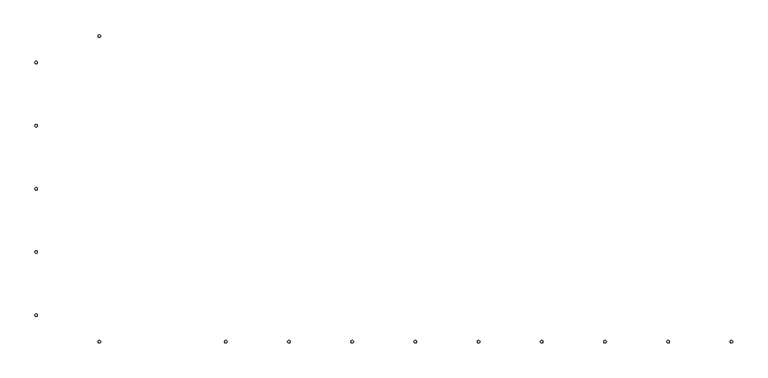
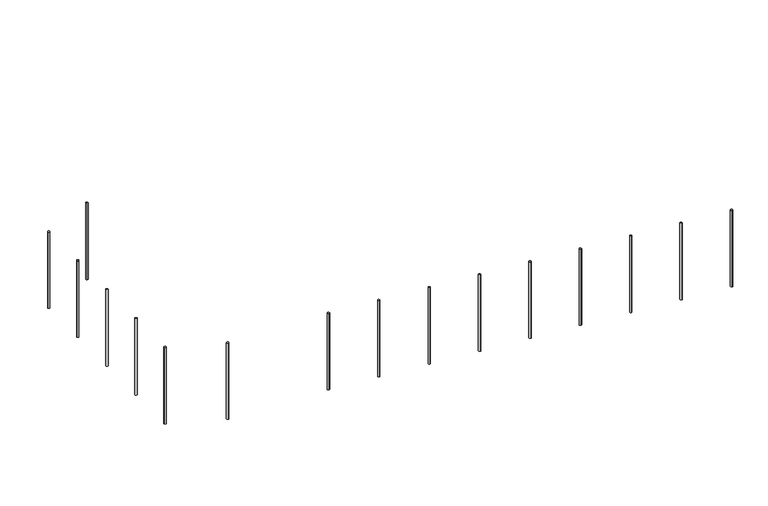
"""IFC4 building model written with IfcOpenShell, lengths in millimetres: railing geometry."""

from ifc_helpers import new_model, si_unit, point, frame, frame_2d, origin, place, context, project, spatial, circle_curve, ellipse_curve, trimmed, segment, composite_curve, outline, extrude, source, transform, mapped, element, save
from ifc_brep_helpers import plane_surface, cylinder_surface, advanced_brep


def railing_d7b6b83a(model_context):
    return source(origin(), model_context, "Body", "SolidModel", [
        extrude(outline(composite_curve([segment(trimmed(circle_curve(frame_2d((-26285.2208066, -18798.0361539)), 10.0), [point((-26285.2208066, -18788.0361539))], [point((-26285.2208066, -18808.0361539))], False, "CARTESIAN"), True, "CONTINUOUS"), segment(trimmed(circle_curve(frame_2d((-26285.2208066, -18798.0361539)), 10.0), [point((-26285.2208066, -18808.0361539))], [point((-26285.2208066, -18788.0361539))], False, "CARTESIAN"), True, "CONTINUOUS")], self_intersect=False)), frame((0.0, 0.0, -740.0), z_axis=(0.0, 0.0, 1.0), x_axis=(1.0, 0.0, 0.0)), (0.0, 0.0, 1.0), 800.0),
        extrude(outline(composite_curve([segment(trimmed(circle_curve(frame_2d((-26785.2208066, -19007.6737587)), 10.0), [point((-26795.2208066, -19007.6737587))], [point((-26775.2208066, -19007.6737587))], False, "CARTESIAN"), True, "CONTINUOUS"), segment(trimmed(circle_curve(frame_2d((-26785.2208066, -19007.6737587)), 10.0), [point((-26775.2208066, -19007.6737587))], [point((-26795.2208066, -19007.6737587))], False, "CARTESIAN"), True, "CONTINUOUS")], self_intersect=False)), frame((0.0, 0.0, -740.0), z_axis=(0.0, 0.0, 1.0), x_axis=(1.0, 0.0, 0.0)), (0.0, 0.0, 1.0), 800.0),
        extrude(outline(composite_curve([segment(trimmed(circle_curve(frame_2d((-26785.2208066, -19507.6737587)), 10.0), [point((-26795.2208066, -19507.6737587))], [point((-26775.2208066, -19507.6737587))], False, "CARTESIAN"), True, "CONTINUOUS"), segment(trimmed(circle_curve(frame_2d((-26785.2208066, -19507.6737587)), 10.0), [point((-26775.2208066, -19507.6737587))], [point((-26795.2208066, -19507.6737587))], False, "CARTESIAN"), True, "CONTINUOUS")], self_intersect=False)), frame((0.0, 0.0, -740.0), z_axis=(0.0, 0.0, 1.0), x_axis=(1.0, 0.0, 0.0)), (0.0, 0.0, 1.0), 800.0),
        extrude(outline(composite_curve([segment(trimmed(circle_curve(frame_2d((-26785.2208066, -20007.6737587)), 10.0), [point((-26795.2208066, -20007.6737587))], [point((-26775.2208066, -20007.6737587))], False, "CARTESIAN"), True, "CONTINUOUS"), segment(trimmed(circle_curve(frame_2d((-26785.2208066, -20007.6737587)), 10.0), [point((-26775.2208066, -20007.6737587))], [point((-26795.2208066, -20007.6737587))], False, "CARTESIAN"), True, "CONTINUOUS")], self_intersect=False)), frame((0.0, 0.0, -740.0), z_axis=(0.0, 0.0, 1.0), x_axis=(1.0, 0.0, 0.0)), (0.0, 0.0, 1.0), 800.0),
        extrude(outline(composite_curve([segment(trimmed(circle_curve(frame_2d((-26785.2208066, -20507.6737587)), 10.0), [point((-26795.2208066, -20507.6737587))], [point((-26775.2208066, -20507.6737587))], False, "CARTESIAN"), True, "CONTINUOUS"), segment(trimmed(circle_curve(frame_2d((-26785.2208066, -20507.6737587)), 10.0), [point((-26775.2208066, -20507.6737587))], [point((-26795.2208066, -20507.6737587))], False, "CARTESIAN"), True, "CONTINUOUS")], self_intersect=False)), frame((0.0, 0.0, -740.0), z_axis=(0.0, 0.0, 1.0), x_axis=(1.0, 0.0, 0.0)), (0.0, 0.0, 1.0), 800.0),
        extrude(outline(composite_curve([segment(trimmed(circle_curve(frame_2d((-26785.2208066, -21007.6737587)), 10.0), [point((-26795.2208066, -21007.6737587))], [point((-26775.2208066, -21007.6737587))], False, "CARTESIAN"), True, "CONTINUOUS"), segment(trimmed(circle_curve(frame_2d((-26785.2208066, -21007.6737587)), 10.0), [point((-26775.2208066, -21007.6737587))], [point((-26795.2208066, -21007.6737587))], False, "CARTESIAN"), True, "CONTINUOUS")], self_intersect=False)), frame((0.0, 0.0, -740.0), z_axis=(0.0, 0.0, 1.0), x_axis=(1.0, 0.0, 0.0)), (0.0, 0.0, 1.0), 800.0),
        extrude(outline(composite_curve([segment(trimmed(circle_curve(frame_2d((-26285.2208066, -21217.3113636)), 10.0), [point((-26285.2208066, -21227.3113636))], [point((-26285.2208066, -21207.3113636))], False, "CARTESIAN"), True, "CONTINUOUS"), segment(trimmed(circle_curve(frame_2d((-26285.2208066, -21217.3113636)), 10.0), [point((-26285.2208066, -21207.3113636))], [point((-26285.2208066, -21227.3113636))], False, "CARTESIAN"), True, "CONTINUOUS")], self_intersect=False)), frame((0.0, 0.0, -740.0), z_axis=(0.0, 0.0, 1.0), x_axis=(1.0, 0.0, 0.0)), (0.0, 0.0, 1.0), 800.0),
        advanced_brep(
        [(-25285.2208066, -21207.3113636, 19.8722041), (-25285.2208066, -21207.3113636, -780.0), (-25285.2208066, -21227.3113636, -780.0), (-25285.2208066, -21227.3113636, 19.8722041)],
        [
            (0, 1),
            (1, 2, ellipse_curve(frame((-25285.2208066, -21217.3113636, -780.0), z_axis=(0.07974522228288976, 0.0, 0.9968152785361251), x_axis=(-0.9968152785361251, 0.0, 0.07974522228288902)), 10.031949, 10.0)),
            (2, 3),
            (3, 0, ellipse_curve(frame((-25285.2208066, -21217.3113636, 19.8722041), z_axis=(-0.07974522228288877, 0.0, -0.9968152785361252), x_axis=(-0.9968152785361252, 0.0, 0.07974522228288722)), 10.031949, 10.0)),
            (0, 3, ellipse_curve(frame((-25285.2208066, -21217.3113636, 19.8722041), z_axis=(-0.07974522228288877, 0.0, -0.9968152785361252), x_axis=(-0.9968152785361252, 0.0, 0.07974522228288722)), 10.031949, 10.0)),
            (2, 1, ellipse_curve(frame((-25285.2208066, -21217.3113636, -780.0), z_axis=(0.07974522228288976, 0.0, 0.9968152785361251), x_axis=(-0.9968152785361251, 0.0, 0.07974522228288902)), 10.031949, 10.0)),
        ],
        [
            cylinder_surface(frame((-25285.2208066, -21217.3113636, -880.0), z_axis=(0.0, 0.0, 1.0), x_axis=(0.0, -1.0, 0.0)), 10.0),
            plane_surface(frame((-25305.2208066, -21237.3113636, 21.4722041), z_axis=(0.07974522228288877, 0.0, 0.9968152785361252), x_axis=(0.0, 1.0, 0.0))),
            plane_surface(frame((-25265.2208066, -21237.3113636, -781.6), z_axis=(-0.07974522228288976, 0.0, -0.9968152785361251), x_axis=(0.0, 1.0, 0.0))),
        ],
        [
            (0, [[1, 2, 3, 4]]),
            (0, [[-1, 5, -3, 6]]),
            (1, [[-4, -5]]),
            (2, [[-2, -6]]),
        ],
    ),
        advanced_brep(
        [(-24785.2208066, -21207.3113636, -20.1277959), (-24785.2208066, -21207.3113636, -820.0), (-24785.2208066, -21227.3113636, -820.0), (-24785.2208066, -21227.3113636, -20.1277959)],
        [
            (0, 1),
            (1, 2, ellipse_curve(frame((-24785.2208066, -21217.3113636, -820.0), z_axis=(0.07974522228288976, 0.0, 0.9968152785361251), x_axis=(-0.9968152785361251, 0.0, 0.07974522228288902)), 10.031949, 10.0)),
            (2, 3),
            (3, 0, ellipse_curve(frame((-24785.2208066, -21217.3113636, -20.1277959), z_axis=(-0.07974522228288877, 0.0, -0.9968152785361252), x_axis=(-0.9968152785361252, 0.0, 0.07974522228288722)), 10.031949, 10.0)),
            (0, 3, ellipse_curve(frame((-24785.2208066, -21217.3113636, -20.1277959), z_axis=(-0.07974522228288877, 0.0, -0.9968152785361252), x_axis=(-0.9968152785361252, 0.0, 0.07974522228288722)), 10.031949, 10.0)),
            (2, 1, ellipse_curve(frame((-24785.2208066, -21217.3113636, -820.0), z_axis=(0.07974522228288976, 0.0, 0.9968152785361251), x_axis=(-0.9968152785361251, 0.0, 0.07974522228288902)), 10.031949, 10.0)),
        ],
        [
            cylinder_surface(frame((-24785.2208066, -21217.3113636, -920.0), z_axis=(0.0, 0.0, 1.0), x_axis=(0.0, -1.0, 0.0)), 10.0),
            plane_surface(frame((-24805.2208066, -21237.3113636, -18.5277959), z_axis=(0.07974522228288877, 0.0, 0.9968152785361252), x_axis=(0.0, 1.0, 0.0))),
            plane_surface(frame((-24765.2208066, -21237.3113636, -821.6), z_axis=(-0.07974522228288976, 0.0, -0.9968152785361251), x_axis=(0.0, 1.0, 0.0))),
        ],
        [
            (0, [[1, 2, 3, 4]]),
            (0, [[-1, 5, -3, 6]]),
            (1, [[-4, -5]]),
            (2, [[-2, -6]]),
        ],
    ),
        advanced_brep(
        [(-24285.2208066, -21207.3113636, -60.1277959), (-24285.2208066, -21207.3113636, -860.0), (-24285.2208066, -21227.3113636, -860.0), (-24285.2208066, -21227.3113636, -60.1277959)],
        [
            (0, 1),
            (1, 2, ellipse_curve(frame((-24285.2208066, -21217.3113636, -860.0), z_axis=(0.07974522228288976, 0.0, 0.9968152785361251), x_axis=(-0.9968152785361251, 0.0, 0.07974522228288902)), 10.031949, 10.0)),
            (2, 3),
            (3, 0, ellipse_curve(frame((-24285.2208066, -21217.3113636, -60.1277959), z_axis=(-0.07974522228288877, 0.0, -0.9968152785361252), x_axis=(-0.9968152785361252, 0.0, 0.07974522228288722)), 10.031949, 10.0)),
            (0, 3, ellipse_curve(frame((-24285.2208066, -21217.3113636, -60.1277959), z_axis=(-0.07974522228288877, 0.0, -0.9968152785361252), x_axis=(-0.9968152785361252, 0.0, 0.07974522228288722)), 10.031949, 10.0)),
            (2, 1, ellipse_curve(frame((-24285.2208066, -21217.3113636, -860.0), z_axis=(0.07974522228288976, 0.0, 0.9968152785361251), x_axis=(-0.9968152785361251, 0.0, 0.07974522228288902)), 10.031949, 10.0)),
        ],
        [
            cylinder_surface(frame((-24285.2208066, -21217.3113636, -960.0), z_axis=(0.0, 0.0, 1.0), x_axis=(0.0, -1.0, 0.0)), 10.0),
            plane_surface(frame((-24305.2208066, -21237.3113636, -58.5277959), z_axis=(0.07974522228288877, 0.0, 0.9968152785361252), x_axis=(0.0, 1.0, 0.0))),
            plane_surface(frame((-24265.2208066, -21237.3113636, -861.6), z_axis=(-0.07974522228288976, 0.0, -0.9968152785361251), x_axis=(0.0, 1.0, 0.0))),
        ],
        [
            (0, [[1, 2, 3, 4]]),
            (0, [[-1, 5, -3, 6]]),
            (1, [[-4, -5]]),
            (2, [[-2, -6]]),
        ],
    ),
        advanced_brep(
        [(-23785.2208066, -21207.3113636, -100.1277959), (-23785.2208066, -21207.3113636, -900.0), (-23785.2208066, -21227.3113636, -900.0), (-23785.2208066, -21227.3113636, -100.1277959)],
        [
            (0, 1),
            (1, 2, ellipse_curve(frame((-23785.2208066, -21217.3113636, -900.0), z_axis=(0.07974522228288976, 0.0, 0.9968152785361251), x_axis=(-0.9968152785361251, 0.0, 0.07974522228288902)), 10.031949, 10.0)),
            (2, 3),
            (3, 0, ellipse_curve(frame((-23785.2208066, -21217.3113636, -100.1277959), z_axis=(-0.07974522228288877, 0.0, -0.9968152785361252), x_axis=(-0.9968152785361252, 0.0, 0.07974522228288722)), 10.031949, 10.0)),
            (0, 3, ellipse_curve(frame((-23785.2208066, -21217.3113636, -100.1277959), z_axis=(-0.07974522228288877, 0.0, -0.9968152785361252), x_axis=(-0.9968152785361252, 0.0, 0.07974522228288722)), 10.031949, 10.0)),
            (2, 1, ellipse_curve(frame((-23785.2208066, -21217.3113636, -900.0), z_axis=(0.07974522228288976, 0.0, 0.9968152785361251), x_axis=(-0.9968152785361251, 0.0, 0.07974522228288902)), 10.031949, 10.0)),
        ],
        [
            cylinder_surface(frame((-23785.2208066, -21217.3113636, -1000.0), z_axis=(0.0, 0.0, 1.0), x_axis=(0.0, -1.0, 0.0)), 10.0),
            plane_surface(frame((-23805.2208066, -21237.3113636, -98.5277959), z_axis=(0.07974522228288877, 0.0, 0.9968152785361252), x_axis=(0.0, 1.0, 0.0))),
            plane_surface(frame((-23765.2208066, -21237.3113636, -901.6), z_axis=(-0.07974522228288976, 0.0, -0.9968152785361251), x_axis=(0.0, 1.0, 0.0))),
        ],
        [
            (0, [[1, 2, 3, 4]]),
            (0, [[-1, 5, -3, 6]]),
            (1, [[-4, -5]]),
            (2, [[-2, -6]]),
        ],
    ),
        advanced_brep(
        [(-23285.2208066, -21207.3113636, -140.1277959), (-23285.2208066, -21207.3113636, -940.0), (-23285.2208066, -21227.3113636, -940.0), (-23285.2208066, -21227.3113636, -140.1277959)],
        [
            (0, 1),
            (1, 2, ellipse_curve(frame((-23285.2208066, -21217.3113636, -940.0), z_axis=(0.07974522228288976, 0.0, 0.9968152785361251), x_axis=(-0.9968152785361251, 0.0, 0.07974522228288902)), 10.031949, 10.0)),
            (2, 3),
            (3, 0, ellipse_curve(frame((-23285.2208066, -21217.3113636, -140.1277959), z_axis=(-0.07974522228288877, 0.0, -0.9968152785361252), x_axis=(-0.9968152785361252, 0.0, 0.07974522228288722)), 10.031949, 10.0)),
            (0, 3, ellipse_curve(frame((-23285.2208066, -21217.3113636, -140.1277959), z_axis=(-0.07974522228288877, 0.0, -0.9968152785361252), x_axis=(-0.9968152785361252, 0.0, 0.07974522228288722)), 10.031949, 10.0)),
            (2, 1, ellipse_curve(frame((-23285.2208066, -21217.3113636, -940.0), z_axis=(0.07974522228288976, 0.0, 0.9968152785361251), x_axis=(-0.9968152785361251, 0.0, 0.07974522228288902)), 10.031949, 10.0)),
        ],
        [
            cylinder_surface(frame((-23285.2208066, -21217.3113636, -1040.0), z_axis=(0.0, 0.0, 1.0), x_axis=(0.0, -1.0, 0.0)), 10.0),
            plane_surface(frame((-23305.2208066, -21237.3113636, -138.5277959), z_axis=(0.07974522228288877, 0.0, 0.9968152785361252), x_axis=(0.0, 1.0, 0.0))),
            plane_surface(frame((-23265.2208066, -21237.3113636, -941.6), z_axis=(-0.07974522228288976, 0.0, -0.9968152785361251), x_axis=(0.0, 1.0, 0.0))),
        ],
        [
            (0, [[1, 2, 3, 4]]),
            (0, [[-1, 5, -3, 6]]),
            (1, [[-4, -5]]),
            (2, [[-2, -6]]),
        ],
    ),
        advanced_brep(
        [(-22785.2208066, -21207.3113636, -180.1277959), (-22785.2208066, -21207.3113636, -980.0), (-22785.2208066, -21227.3113636, -980.0), (-22785.2208066, -21227.3113636, -180.1277959)],
        [
            (0, 1),
            (1, 2, ellipse_curve(frame((-22785.2208066, -21217.3113636, -980.0), z_axis=(0.07974522228288976, 0.0, 0.9968152785361251), x_axis=(-0.9968152785361251, 0.0, 0.07974522228288902)), 10.031949, 10.0)),
            (2, 3),
            (3, 0, ellipse_curve(frame((-22785.2208066, -21217.3113636, -180.1277959), z_axis=(-0.07974522228288877, 0.0, -0.9968152785361252), x_axis=(-0.9968152785361252, 0.0, 0.07974522228288722)), 10.031949, 10.0)),
            (0, 3, ellipse_curve(frame((-22785.2208066, -21217.3113636, -180.1277959), z_axis=(-0.07974522228288877, 0.0, -0.9968152785361252), x_axis=(-0.9968152785361252, 0.0, 0.07974522228288722)), 10.031949, 10.0)),
            (2, 1, ellipse_curve(frame((-22785.2208066, -21217.3113636, -980.0), z_axis=(0.07974522228288976, 0.0, 0.9968152785361251), x_axis=(-0.9968152785361251, 0.0, 0.07974522228288902)), 10.031949, 10.0)),
        ],
        [
            cylinder_surface(frame((-22785.2208066, -21217.3113636, -1080.0), z_axis=(0.0, 0.0, 1.0), x_axis=(0.0, -1.0, 0.0)), 10.0),
            plane_surface(frame((-22805.2208066, -21237.3113636, -178.5277959), z_axis=(0.07974522228288877, 0.0, 0.9968152785361252), x_axis=(0.0, 1.0, 0.0))),
            plane_surface(frame((-22765.2208066, -21237.3113636, -981.6), z_axis=(-0.07974522228288976, 0.0, -0.9968152785361251), x_axis=(0.0, 1.0, 0.0))),
        ],
        [
            (0, [[1, 2, 3, 4]]),
            (0, [[-1, 5, -3, 6]]),
            (1, [[-4, -5]]),
            (2, [[-2, -6]]),
        ],
    ),
        advanced_brep(
        [(-22285.2208066, -21207.3113636, -220.1277959), (-22285.2208066, -21207.3113636, -1020.0), (-22285.2208066, -21227.3113636, -1020.0), (-22285.2208066, -21227.3113636, -220.1277959)],
        [
            (0, 1),
            (1, 2, ellipse_curve(frame((-22285.2208066, -21217.3113636, -1020.0), z_axis=(0.07974522228288976, 0.0, 0.9968152785361251), x_axis=(-0.9968152785361251, 0.0, 0.07974522228288902)), 10.031949, 10.0)),
            (2, 3),
            (3, 0, ellipse_curve(frame((-22285.2208066, -21217.3113636, -220.1277959), z_axis=(-0.07974522228288877, 0.0, -0.9968152785361252), x_axis=(-0.9968152785361252, 0.0, 0.07974522228288722)), 10.031949, 10.0)),
            (0, 3, ellipse_curve(frame((-22285.2208066, -21217.3113636, -220.1277959), z_axis=(-0.07974522228288877, 0.0, -0.9968152785361252), x_axis=(-0.9968152785361252, 0.0, 0.07974522228288722)), 10.031949, 10.0)),
            (2, 1, ellipse_curve(frame((-22285.2208066, -21217.3113636, -1020.0), z_axis=(0.07974522228288976, 0.0, 0.9968152785361251), x_axis=(-0.9968152785361251, 0.0, 0.07974522228288902)), 10.031949, 10.0)),
        ],
        [
            cylinder_surface(frame((-22285.2208066, -21217.3113636, -1120.0), z_axis=(0.0, 0.0, 1.0), x_axis=(0.0, -1.0, 0.0)), 10.0),
            plane_surface(frame((-22305.2208066, -21237.3113636, -218.5277959), z_axis=(0.07974522228288877, 0.0, 0.9968152785361252), x_axis=(0.0, 1.0, 0.0))),
            plane_surface(frame((-22265.2208066, -21237.3113636, -1021.6), z_axis=(-0.07974522228288976, 0.0, -0.9968152785361251), x_axis=(0.0, 1.0, 0.0))),
        ],
        [
            (0, [[1, 2, 3, 4]]),
            (0, [[-1, 5, -3, 6]]),
            (1, [[-4, -5]]),
            (2, [[-2, -6]]),
        ],
    ),
        advanced_brep(
        [(-21785.2208066, -21207.3113636, -260.1277959), (-21785.2208066, -21207.3113636, -1060.0), (-21785.2208066, -21227.3113636, -1060.0), (-21785.2208066, -21227.3113636, -260.1277959)],
        [
            (0, 1),
            (1, 2, ellipse_curve(frame((-21785.2208066, -21217.3113636, -1060.0), z_axis=(0.07974522228288976, 0.0, 0.9968152785361251), x_axis=(-0.9968152785361251, 0.0, 0.07974522228288902)), 10.031949, 10.0)),
            (2, 3),
            (3, 0, ellipse_curve(frame((-21785.2208066, -21217.3113636, -260.1277959), z_axis=(-0.07974522228288877, 0.0, -0.9968152785361252), x_axis=(-0.9968152785361252, 0.0, 0.07974522228288722)), 10.031949, 10.0)),
            (0, 3, ellipse_curve(frame((-21785.2208066, -21217.3113636, -260.1277959), z_axis=(-0.07974522228288877, 0.0, -0.9968152785361252), x_axis=(-0.9968152785361252, 0.0, 0.07974522228288722)), 10.031949, 10.0)),
            (2, 1, ellipse_curve(frame((-21785.2208066, -21217.3113636, -1060.0), z_axis=(0.07974522228288976, 0.0, 0.9968152785361251), x_axis=(-0.9968152785361251, 0.0, 0.07974522228288902)), 10.031949, 10.0)),
        ],
        [
            cylinder_surface(frame((-21785.2208066, -21217.3113636, -1160.0), z_axis=(0.0, 0.0, 1.0), x_axis=(0.0, -1.0, 0.0)), 10.0),
            plane_surface(frame((-21805.2208066, -21237.3113636, -258.5277959), z_axis=(0.07974522228288877, 0.0, 0.9968152785361252), x_axis=(0.0, 1.0, 0.0))),
            plane_surface(frame((-21765.2208066, -21237.3113636, -1061.6), z_axis=(-0.07974522228288976, 0.0, -0.9968152785361251), x_axis=(0.0, 1.0, 0.0))),
        ],
        [
            (0, [[1, 2, 3, 4]]),
            (0, [[-1, 5, -3, 6]]),
            (1, [[-4, -5]]),
            (2, [[-2, -6]]),
        ],
    ),
        advanced_brep(
        [(-21285.2208066, -21207.3113636, -300.1277959), (-21285.2208066, -21207.3113636, -1100.0), (-21285.2208066, -21227.3113636, -1100.0), (-21285.2208066, -21227.3113636, -300.1277959)],
        [
            (0, 1),
            (1, 2, ellipse_curve(frame((-21285.2208066, -21217.3113636, -1100.0), z_axis=(0.07974522228288976, 0.0, 0.9968152785361251), x_axis=(-0.9968152785361251, 0.0, 0.07974522228288902)), 10.031949, 10.0)),
            (2, 3),
            (3, 0, ellipse_curve(frame((-21285.2208066, -21217.3113636, -300.1277959), z_axis=(-0.07974522228288877, 0.0, -0.9968152785361252), x_axis=(-0.9968152785361252, 0.0, 0.07974522228288722)), 10.031949, 10.0)),
            (0, 3, ellipse_curve(frame((-21285.2208066, -21217.3113636, -300.1277959), z_axis=(-0.07974522228288877, 0.0, -0.9968152785361252), x_axis=(-0.9968152785361252, 0.0, 0.07974522228288722)), 10.031949, 10.0)),
            (2, 1, ellipse_curve(frame((-21285.2208066, -21217.3113636, -1100.0), z_axis=(0.07974522228288976, 0.0, 0.9968152785361251), x_axis=(-0.9968152785361251, 0.0, 0.07974522228288902)), 10.031949, 10.0)),
        ],
        [
            cylinder_surface(frame((-21285.2208066, -21217.3113636, -1200.0), z_axis=(0.0, 0.0, 1.0), x_axis=(0.0, -1.0, 0.0)), 10.0),
            plane_surface(frame((-21305.2208066, -21237.3113636, -298.5277959), z_axis=(0.07974522228288877, 0.0, 0.9968152785361252), x_axis=(0.0, 1.0, 0.0))),
            plane_surface(frame((-21265.2208066, -21237.3113636, -1101.6), z_axis=(-0.07974522228288976, 0.0, -0.9968152785361251), x_axis=(0.0, 1.0, 0.0))),
        ],
        [
            (0, [[1, 2, 3, 4]]),
            (0, [[-1, 5, -3, 6]]),
            (1, [[-4, -5]]),
            (2, [[-2, -6]]),
        ],
    ),
    ])


if __name__ == "__main__":
    model = new_model("IFC4")
    model_context = context("Model", 3, world=origin())
    ifc_project = project(units=[si_unit("LENGTHUNIT", "METRE", prefix="MILLI")], contexts=[model_context])
    site = spatial("IfcSite", under=ifc_project)
    building = spatial("IfcBuilding", under=site)
    placement = place(None, origin())
    railing_shape = railing_d7b6b83a(model_context)
    element("IfcRailing", 1, at=placement, inside=building, context=model_context, shape_type="MappedRepresentation", body=[
        mapped(railing_shape, transform((0.0, 0.0, 0.0), x_axis=(1.0, 0.0, 0.0), y_axis=(0.0, 1.0, 0.0), z_axis=(0.0, 0.0, 1.0))),
    ])
    save(model, "model.ifc")
